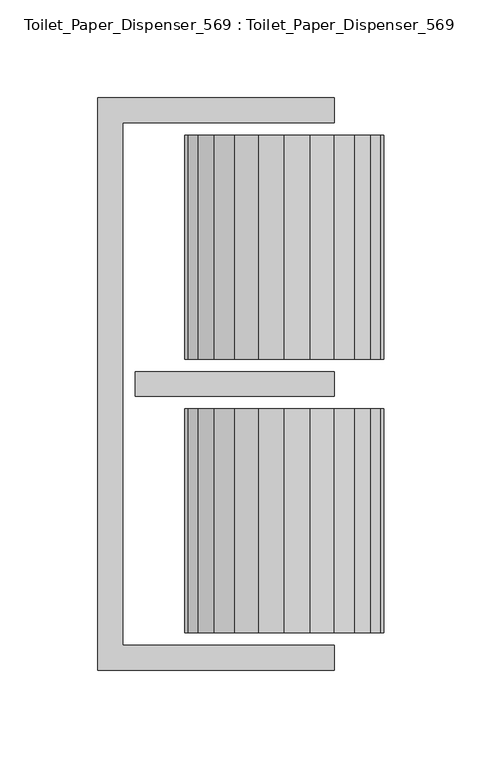
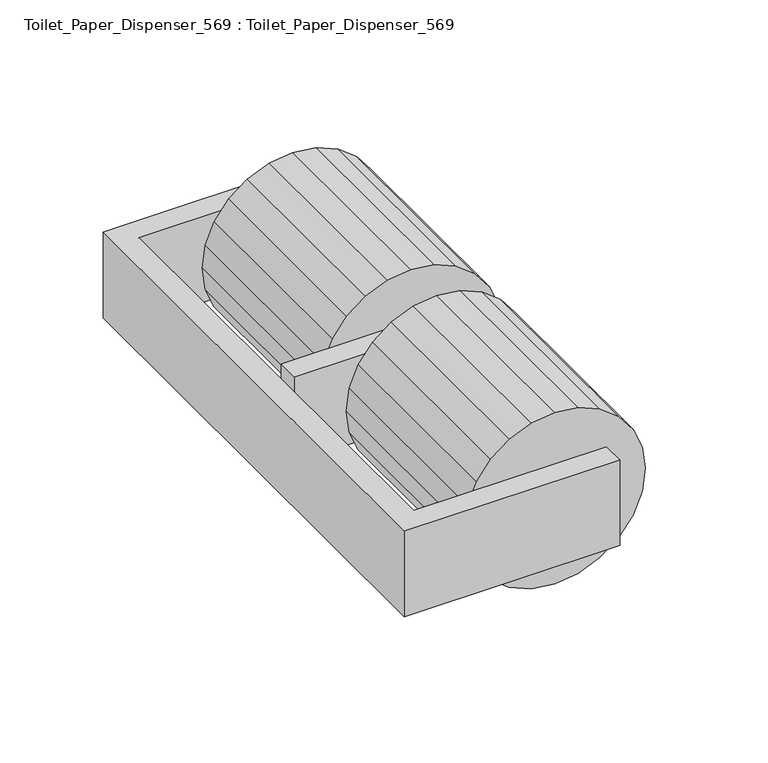
"""IFC4 building model written with IfcOpenShell, lengths in millimetres: proxy geometry, Toilet_Paper_Dispenser_569 : Toilet_Paper_Dispenser_569."""

from ifc_helpers import new_model, si_unit, origin, place, context, project, spatial, triangles, source, transform, mapped, element, save


def toilet_paper_dispenser_569_toilet_paper_dispenser_569_2f986451(model_context):
    return source(origin(), model_context, "Body", "Tessellation", [
        triangles([(19.05, 6.3500002, -25.4000008), (19.05, -6.3500002, -25.4000008), (120.650003, -6.3500002, -25.4000008), (120.650003, 6.3500002, -25.4000008), (19.05, -6.3500002, 25.4000008), (19.05, 6.3500002, 25.4000008), (120.650003, -6.3500002, 25.4000008), (120.650003, 6.3500002, 25.4000008), (120.650003, 133.35, -25.4000008), (120.650003, 146.049997, -25.4000008), (0.0, 146.049997, -25.4000008), (12.7000004, 133.35, -25.4000008), (120.650003, 146.049997, 25.4000008), (120.650003, 133.35, 25.4000008), (0.0, 146.049997, 25.4000008), (12.7000004, 133.35, 25.4000008), (0.0, -146.049997, -25.4000008), (12.7000004, -133.35, -25.4000008), (0.0, -146.049997, 25.4000008), (12.7000004, -133.35, 25.4000008), (120.650003, -146.049997, -25.4000008), (120.650003, -133.35, -25.4000008), (120.650003, -146.049997, 25.4000008), (120.650003, -133.35, 25.4000008)], [[1, 3, 2], [4, 3, 1], [5, 7, 6], [6, 7, 8], [2, 5, 1], [1, 5, 6], [1, 6, 4], [4, 6, 8], [4, 8, 3], [3, 8, 7], [3, 7, 2], [2, 7, 5], [9, 11, 10], [12, 11, 9], [13, 15, 14], [14, 15, 16], [10, 13, 9], [9, 13, 14], [9, 14, 12], [12, 14, 16], [11, 15, 10], [10, 15, 13], [12, 17, 11], [18, 17, 12], [15, 19, 16], [16, 19, 20], [12, 16, 18], [18, 16, 20], [17, 19, 11], [11, 19, 15], [18, 21, 17], [22, 21, 18], [19, 23, 20], [20, 23, 24], [18, 20, 22], [22, 20, 24], [22, 24, 21], [21, 24, 23], [21, 23, 17], [17, 23, 19]]),
        triangles([(44.4499985, -12.7000004, 0.0), (44.4499985, -126.999997, 0.0), (46.1809702, -12.7000004, -13.1480074), (46.1809702, -126.999997, -13.1480074), (95.25, -12.7000004, 0.0), (95.25, -126.999997, 0.0), (51.2559057, -12.7000004, -25.4000008), (51.2559057, -126.999997, -25.4000008), (59.3289731, -12.7000004, -35.9210246), (59.3289731, -126.999997, -35.9210246), (69.8500015, -12.7000004, -43.9940897), (69.8500015, -126.999997, -43.9940897), (82.1019926, -12.7000004, -49.0690298), (82.1019926, -126.999997, -49.0690298), (95.25, -12.7000004, -50.8000015), (95.25, -126.999997, -50.8000015), (108.3980074, -12.7000004, -49.0690298), (108.3980074, -126.999997, -49.0690298), (120.650003, -12.7000004, -43.9940897), (120.650003, -126.999997, -43.9940897), (131.1710269, -12.7000004, -35.9210246), (131.1710269, -126.999997, -35.9210246), (139.2440897, -12.7000004, -25.4000008), (139.2440897, -126.999997, -25.4000008), (144.3190343, -12.7000004, -13.1480074), (144.3190343, -126.999997, -13.1480074), (146.049997, -12.7000004, 0.0), (146.049997, -126.999997, 0.0), (144.3190343, -12.7000004, 13.1480074), (144.3190343, -126.999997, 13.1480074), (139.2440897, -12.7000004, 25.4000008), (139.2440897, -126.999997, 25.4000008), (131.1710269, -12.7000004, 35.9210246), (131.1710269, -126.999997, 35.9210246), (120.650003, -12.7000004, 43.9940897), (120.650003, -126.999997, 43.9940897), (108.3980074, -12.7000004, 49.0690298), (108.3980074, -126.999997, 49.0690298), (95.25, -12.7000004, 50.8000015), (95.25, -126.999997, 50.8000015), (82.1019926, -12.7000004, 49.0690298), (82.1019926, -126.999997, 49.0690298), (69.8500015, -12.7000004, 43.9940897), (69.8500015, -126.999997, 43.9940897), (59.3289731, -12.7000004, 35.9210246), (59.3289731, -126.999997, 35.9210246), (51.2559057, -12.7000004, 25.4000008), (51.2559057, -126.999997, 25.4000008), (46.1809702, -12.7000004, 13.1480074), (46.1809702, -126.999997, 13.1480074), (44.4499985, 126.999997, 0.0), (44.4499985, 12.7000004, 0.0), (46.1809702, 126.999997, -13.1480074), (46.1809702, 12.7000004, -13.1480074), (95.25, 126.999997, 0.0), (95.25, 12.7000004, 0.0), (51.2559057, 126.999997, -25.4000008), (51.2559057, 12.7000004, -25.4000008), (59.3289731, 126.999997, -35.9210246), (59.3289731, 12.7000004, -35.9210246), (69.8500015, 126.999997, -43.9940897), (69.8500015, 12.7000004, -43.9940897), (82.1019926, 126.999997, -49.0690298), (82.1019926, 12.7000004, -49.0690298), (95.25, 126.999997, -50.8000015), (95.25, 12.7000004, -50.8000015), (108.3980074, 126.999997, -49.0690298), (108.3980074, 12.7000004, -49.0690298), (120.650003, 126.999997, -43.9940897), (120.650003, 12.7000004, -43.9940897), (131.1710269, 126.999997, -35.9210246), (131.1710269, 12.7000004, -35.9210246), (139.2440897, 126.999997, -25.4000008), (139.2440897, 12.7000004, -25.4000008), (144.3190343, 126.999997, -13.1480074), (144.3190343, 12.7000004, -13.1480074), (146.049997, 126.999997, 0.0), (146.049997, 12.7000004, 0.0), (144.3190343, 126.999997, 13.1480074), (144.3190343, 12.7000004, 13.1480074), (139.2440897, 126.999997, 25.4000008), (139.2440897, 12.7000004, 25.4000008), (131.1710269, 126.999997, 35.9210246), (131.1710269, 12.7000004, 35.9210246), (120.650003, 126.999997, 43.9940897), (120.650003, 12.7000004, 43.9940897), (108.3980074, 126.999997, 49.0690298), (108.3980074, 12.7000004, 49.0690298), (95.25, 126.999997, 50.8000015), (95.25, 12.7000004, 50.8000015), (82.1019926, 126.999997, 49.0690298), (82.1019926, 12.7000004, 49.0690298), (69.8500015, 126.999997, 43.9940897), (69.8500015, 12.7000004, 43.9940897), (59.3289731, 126.999997, 35.9210246), (59.3289731, 12.7000004, 35.9210246), (51.2559057, 126.999997, 25.4000008), (51.2559057, 12.7000004, 25.4000008), (46.1809702, 126.999997, 13.1480074), (46.1809702, 12.7000004, 13.1480074)], [[1, 3, 2], [2, 3, 4], [3, 1, 5], [6, 2, 4], [3, 7, 4], [4, 7, 8], [7, 3, 5], [6, 4, 8], [7, 9, 8], [8, 9, 10], [9, 7, 5], [6, 8, 10], [9, 11, 10], [10, 11, 12], [11, 9, 5], [6, 10, 12], [11, 13, 12], [12, 13, 14], [13, 11, 5], [6, 12, 14], [13, 15, 14], [14, 15, 16], [15, 13, 5], [6, 14, 16], [15, 17, 16], [16, 17, 18], [17, 15, 5], [6, 16, 18], [17, 19, 18], [18, 19, 20], [19, 17, 5], [6, 18, 20], [19, 21, 20], [20, 21, 22], [21, 19, 5], [6, 20, 22], [21, 23, 22], [22, 23, 24], [23, 21, 5], [6, 22, 24], [23, 25, 24], [24, 25, 26], [25, 23, 5], [6, 24, 26], [25, 27, 26], [26, 27, 28], [27, 25, 5], [6, 26, 28], [27, 29, 28], [28, 29, 30], [29, 27, 5], [6, 28, 30], [29, 31, 30], [30, 31, 32], [31, 29, 5], [6, 30, 32], [31, 33, 32], [32, 33, 34], [33, 31, 5], [6, 32, 34], [33, 35, 34], [34, 35, 36], [35, 33, 5], [6, 34, 36], [35, 37, 36], [36, 37, 38], [37, 35, 5], [6, 36, 38], [37, 39, 38], [38, 39, 40], [39, 37, 5], [6, 38, 40], [39, 41, 40], [40, 41, 42], [41, 39, 5], [6, 40, 42], [41, 43, 42], [42, 43, 44], [43, 41, 5], [6, 42, 44], [43, 45, 44], [44, 45, 46], [45, 43, 5], [6, 44, 46], [45, 47, 46], [46, 47, 48], [47, 45, 5], [6, 46, 48], [47, 49, 48], [48, 49, 50], [49, 47, 5], [6, 48, 50], [49, 1, 50], [50, 1, 2], [1, 49, 5], [6, 50, 2], [51, 53, 52], [52, 53, 54], [53, 51, 55], [56, 52, 54], [53, 57, 54], [54, 57, 58], [57, 53, 55], [56, 54, 58], [57, 59, 58], [58, 59, 60], [59, 57, 55], [56, 58, 60], [59, 61, 60], [60, 61, 62], [61, 59, 55], [56, 60, 62], [61, 63, 62], [62, 63, 64], [63, 61, 55], [56, 62, 64], [63, 65, 64], [64, 65, 66], [65, 63, 55], [56, 64, 66], [65, 67, 66], [66, 67, 68], [67, 65, 55], [56, 66, 68], [67, 69, 68], [68, 69, 70], [69, 67, 55], [56, 68, 70], [69, 71, 70], [70, 71, 72], [71, 69, 55], [56, 70, 72], [71, 73, 72], [72, 73, 74], [73, 71, 55], [56, 72, 74], [73, 75, 74], [74, 75, 76], [75, 73, 55], [56, 74, 76], [75, 77, 76], [76, 77, 78], [77, 75, 55], [56, 76, 78], [77, 79, 78], [78, 79, 80], [79, 77, 55], [56, 78, 80], [79, 81, 80], [80, 81, 82], [81, 79, 55], [56, 80, 82], [81, 83, 82], [82, 83, 84], [83, 81, 55], [56, 82, 84], [83, 85, 84], [84, 85, 86], [85, 83, 55], [56, 84, 86], [85, 87, 86], [86, 87, 88], [87, 85, 55], [56, 86, 88], [87, 89, 88], [88, 89, 90], [89, 87, 55], [56, 88, 90], [89, 91, 90], [90, 91, 92], [91, 89, 55], [56, 90, 92], [91, 93, 92], [92, 93, 94], [93, 91, 55], [56, 92, 94], [93, 95, 94], [94, 95, 96], [95, 93, 55], [56, 94, 96], [95, 97, 96], [96, 97, 98], [97, 95, 55], [56, 96, 98], [97, 99, 98], [98, 99, 100], [99, 97, 55], [56, 98, 100], [99, 51, 100], [100, 51, 52], [51, 99, 55], [56, 100, 52]]),
    ])


if __name__ == "__main__":
    model = new_model("IFC4")
    model_context = context("Model", 3, world=origin())
    ifc_project = project(units=[si_unit("LENGTHUNIT", "METRE", prefix="MILLI")], contexts=[model_context])
    site = spatial("IfcSite", under=ifc_project)
    building = spatial("IfcBuilding", under=site)
    placement = place(None, origin())
    toilet_paper_dispenser_569_toilet_paper_dispenser_569_shape = toilet_paper_dispenser_569_toilet_paper_dispenser_569_2f986451(model_context)
    element("IfcBuildingElementProxy", 1, Name="Toilet_Paper_Dispenser_569 : Toilet_Paper_Dispenser_569", ObjectType="Toilet_Paper_Dispenser_569 : Toilet_Paper_Dispenser_569", at=placement, inside=building, context=model_context, shape_type="MappedRepresentation", body=[
        mapped(toilet_paper_dispenser_569_toilet_paper_dispenser_569_shape, transform((0.0, 0.0, 0.0), x_axis=(1.0, 0.0, 0.0), y_axis=(0.0, 1.0, 0.0), z_axis=(0.0, 0.0, 1.0))),
    ])
    save(model, "model.ifc")
